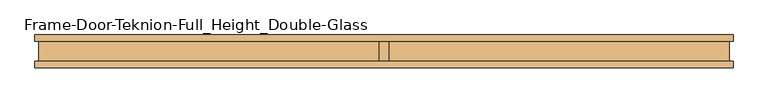
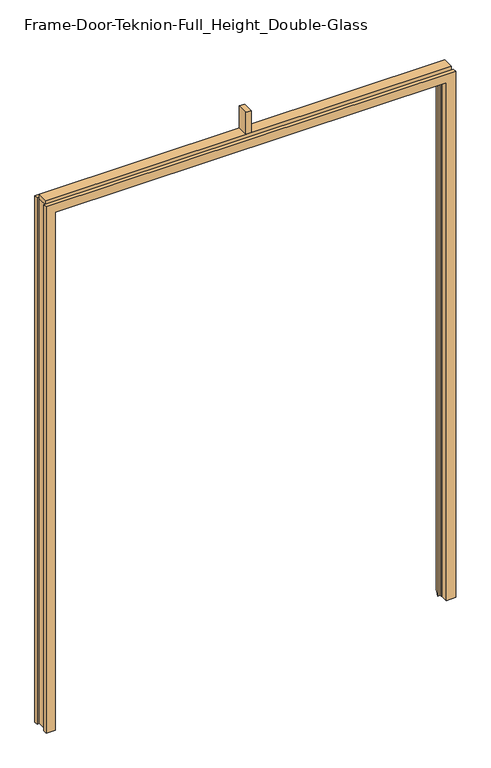
"""IFC4 building model written with IfcOpenShell, lengths in millimetres: door geometry, Frame-Door-Teknion-Full_Height_Double-Glass."""

from ifc_helpers import new_model, si_unit, frame, origin, place, context, project, spatial, polyline, outline, extrude, faceted_brep, source, transform, mapped, element, save


def frame_door_teknion_full_height_double_glass_6b4566d7(model_context):
    return source(origin(), model_context, "Body", "SolidModel", [
        faceted_brep([(-1015.7843565, -50.038, 0.0), (-1063.8157565, -50.038, 0.0), (-1063.8157565, -30.7719997, 0.0), (-1052.8101562, -30.7719997, 0.0), (-1052.8101562, 30.7719997, 0.0), (-1063.8157565, 30.7719997, 0.0), (-1063.8157565, 50.038, 0.0), (-1021.9054518, 50.038, 0.0), (-999.4583342, -0.7133435, 0.0), (-1012.3807565, -0.7133435, 0.0), (-1012.3807565, -9.6287435, 0.0), (-1015.7843565, -9.6287435, 0.0), (-1015.7843565, -9.6287435, 2842.4886), (-1015.7843565, -50.038, 2842.4886), (-1012.3807565, -9.6287435, 2839.085), (1012.3807565, -9.6287435, 2839.085), (1012.3807565, -9.6287435, 0.0), (1015.7843565, -9.6287435, 0.0), (1015.7843565, -9.6287435, 2842.4886), (-1012.3807565, -0.7133435, 2839.085), (-999.4583342, -0.7133435, 2826.1625776), (999.4583342, -0.7133435, 2826.1625776), (999.4583342, -0.7133435, 0.0), (1012.3807565, -0.7133435, 0.0), (1012.3807565, -0.7133435, 2839.085), (-1021.9054518, 50.038, 2848.6096953), (-1063.8157565, 50.038, 2890.52), (1063.8157565, 50.038, 2890.52), (1063.8157565, 50.038, 0.0), (1021.9054518, 50.038, 0.0), (1021.9054518, 50.038, 2848.6096953), (-1063.8157565, 30.7719997, 2890.52), (-1052.8101562, 30.7719997, 2879.5143997), (1052.8101563, 30.7719997, 2879.5143997), (1052.8101563, 30.7719997, 0.0), (1063.8157565, 30.7719997, 0.0), (1063.8157565, 30.7719997, 2890.52), (-1052.8101562, -30.7719997, 2879.5143997), (-1063.8157565, -30.7719997, 2890.52), (1063.8157565, -30.7719997, 2890.52), (1063.8157565, -30.7719997, 0.0), (1052.8101563, -30.7719997, 0.0), (1052.8101563, -30.7719997, 2879.5143997), (-1063.8157565, -50.038, 2890.52), (1015.7843565, -50.038, 2842.4886), (1015.7843565, -50.038, 0.0), (1063.8157565, -50.038, 0.0), (1063.8157565, -50.038, 2890.52)], [[[0, 1, 2, 3, 4, 5, 6, 7, 8, 9, 10, 11]], [[11, 12, 13, 0]], [[10, 14, 15, 16, 17, 18, 12, 11]], [[9, 19, 14, 10]], [[8, 20, 21, 22, 23, 24, 19, 9]], [[7, 25, 20, 8]], [[6, 26, 27, 28, 29, 30, 25, 7]], [[5, 31, 26, 6]], [[4, 32, 33, 34, 35, 36, 31, 5]], [[3, 37, 32, 4]], [[2, 38, 39, 40, 41, 42, 37, 3]], [[1, 43, 38, 2]], [[0, 13, 44, 45, 46, 47, 43, 1]], [[18, 17, 45, 44]], [[45, 17, 16, 23, 22, 29, 28, 35, 34, 41, 40, 46]], [[24, 23, 16, 15]], [[30, 29, 22, 21]], [[36, 35, 28, 27]], [[42, 41, 34, 33]], [[47, 46, 40, 39]], [[12, 18, 44, 13]], [[19, 24, 15, 14]], [[25, 30, 21, 20]], [[31, 36, 27, 26]], [[37, 42, 33, 32]], [[43, 47, 39, 38]]]),
        extrude(outline(polyline([(-1052.8101562, 29.21), (1052.8101563, 29.21), (1052.8101563, -29.21), (-1052.8101562, -29.21), (-1052.8101562, 29.21)])), frame((0.0, 0.0, 2879.725), z_axis=(0.0, 0.0, 1.0), x_axis=(1.0, 0.0, 0.0)), (0.0, 0.0, 1.0), 27.94),
        extrude(outline(polyline([(-13.9898437, 28.971875), (13.9898438, 28.971875), (13.9898438, -28.971875), (-13.9898437, -28.971875), (-13.9898437, 28.971875)])), frame((0.0, 0.0, 2907.665), z_axis=(0.0, 0.0, 1.0), x_axis=(1.0, 0.0, 0.0)), (0.0, 0.0, 1.0), 121.285),
    ])


if __name__ == "__main__":
    model = new_model("IFC4")
    model_context = context("Model", 3, world=origin())
    ifc_project = project(units=[si_unit("LENGTHUNIT", "METRE", prefix="MILLI")], contexts=[model_context])
    site = spatial("IfcSite", under=ifc_project)
    building = spatial("IfcBuilding", under=site)
    placement = place(None, origin())
    frame_door_teknion_full_height_double_glass_shape = frame_door_teknion_full_height_double_glass_6b4566d7(model_context)
    element("IfcDoor", 1, ObjectType="Frame-Door-Teknion-Full_Height_Double-Glass", at=placement, inside=building, context=model_context, shape_type="MappedRepresentation", body=[
        mapped(frame_door_teknion_full_height_double_glass_shape, transform((0.0, 0.0, 0.0), x_axis=(1.0, 0.0, 0.0), y_axis=(0.0, 1.0, 0.0), z_axis=(0.0, 0.0, 1.0))),
    ])
    save(model, "model.ifc")
